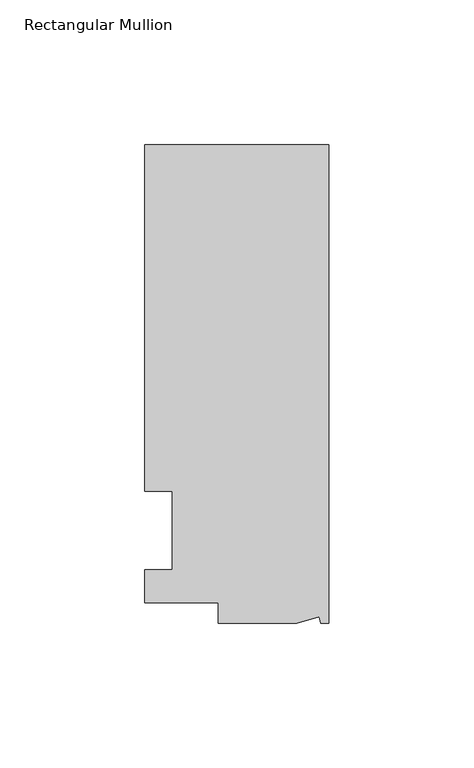
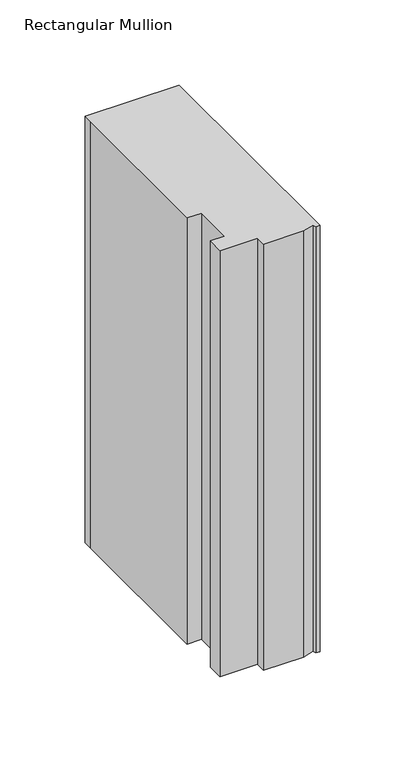
"""IFC4 building model written with IfcOpenShell, lengths in millimetres: member geometry, Rectangular Mullion."""

import ifcopenshell
import ifcopenshell.guid

model = None  # the IFC model being written
_history = None  # IfcOwnerHistory: only IFC2X3 demands one
_inside = {}  # id of a spatial element -> (the spatial element, [elements in it])
_under = {}  # id of a project, library or spatial element -> (it, [spatial elements below it])
_declared = {}  # id of a project -> (the project, [libraries it declares])
_typed = {}  # id of a type object -> (the type object, [elements of that type])
_made_of = {}  # id of a material, layer set ... -> (it, [elements and type objects made of it])


def new_model(schema):
    """Start an empty IFC model of exactly this schema.

    Asked for "IFC4X3", IfcOpenShell would pick the latest addendum, in which some entities
    have other attributes; the version numbers below select the first issue.
    IFC2X3 requires an IfcOwnerHistory on every rooted entity: one is made here for all.
    """
    global model, _history
    if schema == "IFC4X3":
        model = ifcopenshell.file(schema_version=(4, 3, 0, 0))
    else:
        model = ifcopenshell.file(schema=schema)
    _inside.clear()
    _under.clear()
    _declared.clear()
    _typed.clear()
    _made_of.clear()
    _history = None
    if model.schema == "IFC2X3":
        org = make("IfcOrganization", Name="unknown")
        user = make(
            "IfcPersonAndOrganization",
            ThePerson=make("IfcPerson", FamilyName="unknown"),
            TheOrganization=org,
        )
        app = make(
            "IfcApplication",
            ApplicationDeveloper=org,
            Version="unknown",
            ApplicationFullName="unknown",
            ApplicationIdentifier="unknown",
        )
        _history = make(
            "IfcOwnerHistory",
            OwningUser=user,
            OwningApplication=app,
            ChangeAction="ADDED",
            CreationDate=0,
        )
    return model


def make(cls, **values):
    """One entity of the class cls with the attributes given. An attribute that is None is left unset."""
    return model.create_entity(
        cls, **{name: value for name, value in values.items() if value is not None}
    )


def rooted(cls, **values):
    """An entity with a GlobalId (a new one), such as an element, a storey or a relation."""
    return make(cls, GlobalId=ifcopenshell.guid.new(), OwnerHistory=_history, **values)


def si_unit(unit_type, name, prefix=None):
    """IfcSIUnit, for example si_unit("LENGTHUNIT", "METRE", prefix="MILLI")."""
    return make("IfcSIUnit", UnitType=unit_type, Prefix=prefix, Name=name)


def assignment(units):
    """IfcUnitAssignment: the units of a project."""
    return None if units is None else make("IfcUnitAssignment", Units=units)


def point(xyz):
    """IfcCartesianPoint."""
    return None if xyz is None else make("IfcCartesianPoint", Coordinates=xyz)


def direction(xyz):
    """IfcDirection."""
    return None if xyz is None else make("IfcDirection", DirectionRatios=xyz)


def frame(location, z_axis=None, x_axis=None):
    """IfcAxis2Placement3D, a coordinate frame: its origin and axes. An axis left out is left unset."""
    return make(
        "IfcAxis2Placement3D",
        Location=point(location),
        Axis=direction(z_axis),
        RefDirection=direction(x_axis),
    )


def origin():
    """The frame at (0, 0, 0) with its axes left unset."""
    return frame((0.0, 0.0, 0.0))


def place(relative_to, where):
    """IfcLocalPlacement: puts the frame where relative to a parent placement (None: the world)."""
    return make(
        "IfcLocalPlacement", PlacementRelTo=relative_to, RelativePlacement=where
    )


def context(
    kind, dimensions, precision=None, world=None, true_north=None, identifier=None
):
    """IfcGeometricRepresentationContext, for example the 3D "Model" context."""
    return make(
        "IfcGeometricRepresentationContext",
        ContextIdentifier=identifier,
        ContextType=kind,
        CoordinateSpaceDimension=dimensions,
        Precision=precision,
        WorldCoordinateSystem=world,
        TrueNorth=true_north,
    )


def project(units=None, contexts=None):
    """IfcProject with its units and contexts."""
    return rooted(
        "IfcProject",
        Name="project",
        RepresentationContexts=contexts,
        UnitsInContext=assignment(units),
    )


def spatial(cls, under=None, at=None, **own):
    """A site, building, storey or space (cls), placed at a placement, below another one or the project."""
    s = rooted(cls, ObjectPlacement=at, **own)
    if under is not None:
        _under.setdefault(under.id(), (under, []))[1].append(s)
    return s


def polyline(points):
    """IfcPolyline through the points."""
    return make("IfcPolyline", Points=[point(p) for p in points])


def outline(outer, holes=None, kind="AREA"):
    """IfcArbitraryClosedProfileDef: a profile drawn as a closed curve; with holes, ...WithVoids."""
    if holes is None:
        return make("IfcArbitraryClosedProfileDef", ProfileType=kind, OuterCurve=outer)
    return make(
        "IfcArbitraryProfileDefWithVoids",
        ProfileType=kind,
        OuterCurve=outer,
        InnerCurves=holes,
    )


def extrude(swept, where, along, depth):
    """IfcExtrudedAreaSolid: the profile swept, set in the frame where, extruded along a direction by depth."""
    return make(
        "IfcExtrudedAreaSolid",
        SweptArea=swept,
        Position=where,
        ExtrudedDirection=direction(along),
        Depth=depth,
    )


def shape(context_of_items, identifier, shape_type, items):
    """IfcShapeRepresentation: the items that make up one representation, for example the "Body"."""
    return make(
        "IfcShapeRepresentation",
        ContextOfItems=context_of_items,
        RepresentationIdentifier=identifier,
        RepresentationType=shape_type,
        Items=items,
    )


def source(mapping_origin, context_of_items, identifier, shape_type, items):
    """IfcRepresentationMap: a shape defined once, which mapped items show again and again."""
    return make(
        "IfcRepresentationMap",
        MappingOrigin=mapping_origin,
        MappedRepresentation=shape(context_of_items, identifier, shape_type, items),
    )


def transform(
    local_origin,
    x_axis=None,
    y_axis=None,
    z_axis=None,
    scale=None,
    scale2=None,
    scale3=None,
    uniform=True,
):
    """IfcCartesianTransformationOperator3D, or its non-uniform kind. x_axis, y_axis, z_axis: its Axis1, 2, 3."""
    if uniform:
        return make(
            "IfcCartesianTransformationOperator3D",
            Axis1=direction(x_axis),
            Axis2=direction(y_axis),
            LocalOrigin=point(local_origin),
            Scale=scale,
            Axis3=direction(z_axis),
        )
    return make(
        "IfcCartesianTransformationOperator3DnonUniform",
        Axis1=direction(x_axis),
        Axis2=direction(y_axis),
        LocalOrigin=point(local_origin),
        Scale=scale,
        Axis3=direction(z_axis),
        Scale2=scale2,
        Scale3=scale3,
    )


def mapped(mapping_source, mapping_target):
    """IfcMappedItem: shows the shape of a source again, moved by a transform."""
    return make(
        "IfcMappedItem", MappingSource=mapping_source, MappingTarget=mapping_target
    )


def made_of(thing, what):
    """Note that an element or type object is made of a material, layer set ...; save() writes the relation."""
    if what is not None:
        _made_of.setdefault(what.id(), (what, []))[1].append(thing)
    return thing


def element(
    cls,
    number,
    at=None,
    inside=None,
    cuts=None,
    type_object=None,
    material=None,
    context=None,
    identifier="Body",
    shape_type=None,
    held_by="IfcProductDefinitionShape",
    body=None,
    shapes=None,
    **own,
):
    """One element of the class cls, such as IfcWall. Its Tag is "e" and its number.

    at: its placement. inside: the storey or other place that contains it. cuts: it is an
    opening in that element (IfcRelVoidsElement). A single representation is given by context,
    identifier, shape_type and body (its items); several are given by shapes. held_by: the class
    of the entity that holds the representations. save() writes the other relations.
    """
    e = rooted(cls, Tag="e%d" % number, ObjectPlacement=at, **own)
    if body is not None:
        shapes = [shape(context, identifier, shape_type, body)]
    if shapes is not None:
        e.Representation = make(held_by, Representations=shapes)
    if inside is not None:
        _inside.setdefault(inside.id(), (inside, []))[1].append(e)
    if cuts is not None:
        rooted(
            "IfcRelVoidsElement", RelatingBuildingElement=cuts, RelatedOpeningElement=e
        )
    if type_object is not None:
        _typed.setdefault(type_object.id(), (type_object, []))[1].append(e)
    return made_of(e, material)


def aggregate(whole, parts):
    """IfcRelAggregates: a whole, such as a stair, and the parts it consists of."""
    return rooted("IfcRelAggregates", RelatingObject=whole, RelatedObjects=parts)


def save(model, path):
    """Write the relations noted so far, then the file.

    IfcRelAggregates (storeys below a building ...), IfcRelContainedInSpatialStructure (elements
    in a storey), IfcRelDefinesByType, IfcRelAssociatesMaterial and IfcRelDeclares: one each for
    every whole, place, type object, material and project.
    """
    for whole, parts in _under.values():
        aggregate(whole, parts)
    for where, things in _inside.values():
        rooted(
            "IfcRelContainedInSpatialStructure",
            RelatedElements=things,
            RelatingStructure=where,
        )
    for kind, things in _typed.values():
        rooted("IfcRelDefinesByType", RelatedObjects=things, RelatingType=kind)
    for what, things in _made_of.values():
        rooted("IfcRelAssociatesMaterial", RelatedObjects=things, RelatingMaterial=what)
    for by, libraries in _declared.values():
        rooted("IfcRelDeclares", RelatingContext=by, RelatedDefinitions=libraries)
    model.write(path)


def rectangular_mullion_3cfad4a6(model_context):
    return source(origin(), model_context, "Body", "SweptSolid", [
        extrude(outline(polyline([(0.0, 131.0674452), (0.0, -34.0325548), (-2.7630634, -34.0325548), (-3.3223696, -31.9451957), (-11.1125, -34.0325548), (-38.1, -34.0325548), (-38.1, -27.0729548), (-63.5, -27.0729548), (-63.5, -15.6924375), (-53.975, -15.6924375), (-53.975, 11.3942812), (-63.5, 11.3942812), (-63.5, 124.7174452), (-63.5, 131.0674452), (0.0, 131.0674452)])), frame((0.0, 0.0, -304.8), z_axis=(0.0, 0.0, 1.0), x_axis=(1.0, 0.0, 0.0)), (0.0, 0.0, 1.0), 304.8),
    ])


if __name__ == "__main__":
    model = new_model("IFC4")
    model_context = context("Model", 3, world=origin())
    ifc_project = project(units=[si_unit("LENGTHUNIT", "METRE", prefix="MILLI")], contexts=[model_context])
    site = spatial("IfcSite", under=ifc_project)
    building = spatial("IfcBuilding", under=site)
    placement = place(None, origin())
    rectangular_mullion_shape = rectangular_mullion_3cfad4a6(model_context)
    element("IfcMember", 1, ObjectType="Rectangular Mullion", at=placement, inside=building, context=model_context, shape_type="MappedRepresentation", body=[
        mapped(rectangular_mullion_shape, transform((0.0, 0.0, 0.0), x_axis=(1.0, 0.0, 0.0), y_axis=(0.0, 1.0, 0.0), z_axis=(0.0, 0.0, 1.0))),
    ])
    save(model, "model.ifc")
